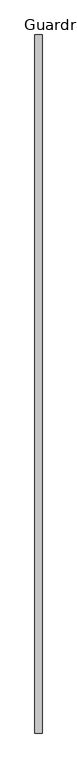
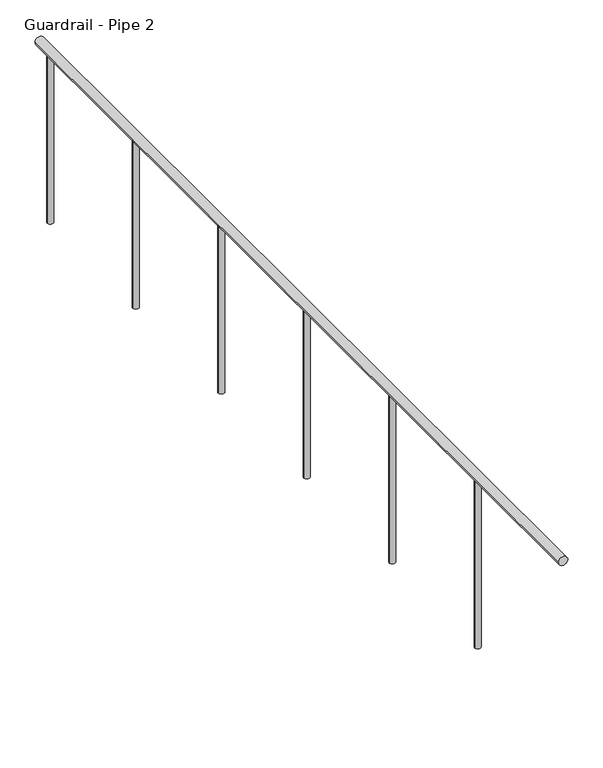
"""IFC4 building model written with IfcOpenShell, lengths in millimetres: railing geometry, Guardrail - Pipe 2."""

import ifcopenshell
import ifcopenshell.guid

model = None  # the IFC model being written
_history = None  # IfcOwnerHistory: only IFC2X3 demands one
_inside = {}  # id of a spatial element -> (the spatial element, [elements in it])
_under = {}  # id of a project, library or spatial element -> (it, [spatial elements below it])
_declared = {}  # id of a project -> (the project, [libraries it declares])
_typed = {}  # id of a type object -> (the type object, [elements of that type])
_made_of = {}  # id of a material, layer set ... -> (it, [elements and type objects made of it])


def new_model(schema):
    """Start an empty IFC model of exactly this schema.

    Asked for "IFC4X3", IfcOpenShell would pick the latest addendum, in which some entities
    have other attributes; the version numbers below select the first issue.
    IFC2X3 requires an IfcOwnerHistory on every rooted entity: one is made here for all.
    """
    global model, _history
    if schema == "IFC4X3":
        model = ifcopenshell.file(schema_version=(4, 3, 0, 0))
    else:
        model = ifcopenshell.file(schema=schema)
    _inside.clear()
    _under.clear()
    _declared.clear()
    _typed.clear()
    _made_of.clear()
    _history = None
    if model.schema == "IFC2X3":
        org = make("IfcOrganization", Name="unknown")
        user = make(
            "IfcPersonAndOrganization",
            ThePerson=make("IfcPerson", FamilyName="unknown"),
            TheOrganization=org,
        )
        app = make(
            "IfcApplication",
            ApplicationDeveloper=org,
            Version="unknown",
            ApplicationFullName="unknown",
            ApplicationIdentifier="unknown",
        )
        _history = make(
            "IfcOwnerHistory",
            OwningUser=user,
            OwningApplication=app,
            ChangeAction="ADDED",
            CreationDate=0,
        )
    return model


def make(cls, **values):
    """One entity of the class cls with the attributes given. An attribute that is None is left unset."""
    return model.create_entity(
        cls, **{name: value for name, value in values.items() if value is not None}
    )


def rooted(cls, **values):
    """An entity with a GlobalId (a new one), such as an element, a storey or a relation."""
    return make(cls, GlobalId=ifcopenshell.guid.new(), OwnerHistory=_history, **values)


def si_unit(unit_type, name, prefix=None):
    """IfcSIUnit, for example si_unit("LENGTHUNIT", "METRE", prefix="MILLI")."""
    return make("IfcSIUnit", UnitType=unit_type, Prefix=prefix, Name=name)


def assignment(units):
    """IfcUnitAssignment: the units of a project."""
    return None if units is None else make("IfcUnitAssignment", Units=units)


def point(xyz):
    """IfcCartesianPoint."""
    return None if xyz is None else make("IfcCartesianPoint", Coordinates=xyz)


def direction(xyz):
    """IfcDirection."""
    return None if xyz is None else make("IfcDirection", DirectionRatios=xyz)


def frame(location, z_axis=None, x_axis=None):
    """IfcAxis2Placement3D, a coordinate frame: its origin and axes. An axis left out is left unset."""
    return make(
        "IfcAxis2Placement3D",
        Location=point(location),
        Axis=direction(z_axis),
        RefDirection=direction(x_axis),
    )


def frame_2d(location, x_axis=None):
    """IfcAxis2Placement2D, a coordinate frame in the plane: its origin and x axis."""
    return make(
        "IfcAxis2Placement2D", Location=point(location), RefDirection=direction(x_axis)
    )


def origin():
    """The frame at (0, 0, 0) with its axes left unset."""
    return frame((0.0, 0.0, 0.0))


def place(relative_to, where):
    """IfcLocalPlacement: puts the frame where relative to a parent placement (None: the world)."""
    return make(
        "IfcLocalPlacement", PlacementRelTo=relative_to, RelativePlacement=where
    )


def context(
    kind, dimensions, precision=None, world=None, true_north=None, identifier=None
):
    """IfcGeometricRepresentationContext, for example the 3D "Model" context."""
    return make(
        "IfcGeometricRepresentationContext",
        ContextIdentifier=identifier,
        ContextType=kind,
        CoordinateSpaceDimension=dimensions,
        Precision=precision,
        WorldCoordinateSystem=world,
        TrueNorth=true_north,
    )


def project(units=None, contexts=None):
    """IfcProject with its units and contexts."""
    return rooted(
        "IfcProject",
        Name="project",
        RepresentationContexts=contexts,
        UnitsInContext=assignment(units),
    )


def spatial(cls, under=None, at=None, **own):
    """A site, building, storey or space (cls), placed at a placement, below another one or the project."""
    s = rooted(cls, ObjectPlacement=at, **own)
    if under is not None:
        _under.setdefault(under.id(), (under, []))[1].append(s)
    return s


def circle_curve(where, radius):
    """IfcCircle in the frame where."""
    return make("IfcCircle", Position=where, Radius=radius)


def trimmed(basis, trim1, trim2, sense, master):
    """IfcTrimmedCurve: the piece of a basis curve between two trims."""
    return make(
        "IfcTrimmedCurve",
        BasisCurve=basis,
        Trim1=trim1,
        Trim2=trim2,
        SenseAgreement=sense,
        MasterRepresentation=master,
    )


def segment(curve, same_sense, transition):
    """IfcCompositeCurveSegment."""
    return make(
        "IfcCompositeCurveSegment",
        Transition=transition,
        SameSense=same_sense,
        ParentCurve=curve,
    )


def composite_curve(segments, self_intersect=None):
    """IfcCompositeCurve: segments joined end to end."""
    return make("IfcCompositeCurve", Segments=segments, SelfIntersect=self_intersect)


def outline(outer, holes=None, kind="AREA"):
    """IfcArbitraryClosedProfileDef: a profile drawn as a closed curve; with holes, ...WithVoids."""
    if holes is None:
        return make("IfcArbitraryClosedProfileDef", ProfileType=kind, OuterCurve=outer)
    return make(
        "IfcArbitraryProfileDefWithVoids",
        ProfileType=kind,
        OuterCurve=outer,
        InnerCurves=holes,
    )


def extrude(swept, where, along, depth):
    """IfcExtrudedAreaSolid: the profile swept, set in the frame where, extruded along a direction by depth."""
    return make(
        "IfcExtrudedAreaSolid",
        SweptArea=swept,
        Position=where,
        ExtrudedDirection=direction(along),
        Depth=depth,
    )


def shape(context_of_items, identifier, shape_type, items):
    """IfcShapeRepresentation: the items that make up one representation, for example the "Body"."""
    return make(
        "IfcShapeRepresentation",
        ContextOfItems=context_of_items,
        RepresentationIdentifier=identifier,
        RepresentationType=shape_type,
        Items=items,
    )


def source(mapping_origin, context_of_items, identifier, shape_type, items):
    """IfcRepresentationMap: a shape defined once, which mapped items show again and again."""
    return make(
        "IfcRepresentationMap",
        MappingOrigin=mapping_origin,
        MappedRepresentation=shape(context_of_items, identifier, shape_type, items),
    )


def transform(
    local_origin,
    x_axis=None,
    y_axis=None,
    z_axis=None,
    scale=None,
    scale2=None,
    scale3=None,
    uniform=True,
):
    """IfcCartesianTransformationOperator3D, or its non-uniform kind. x_axis, y_axis, z_axis: its Axis1, 2, 3."""
    if uniform:
        return make(
            "IfcCartesianTransformationOperator3D",
            Axis1=direction(x_axis),
            Axis2=direction(y_axis),
            LocalOrigin=point(local_origin),
            Scale=scale,
            Axis3=direction(z_axis),
        )
    return make(
        "IfcCartesianTransformationOperator3DnonUniform",
        Axis1=direction(x_axis),
        Axis2=direction(y_axis),
        LocalOrigin=point(local_origin),
        Scale=scale,
        Axis3=direction(z_axis),
        Scale2=scale2,
        Scale3=scale3,
    )


def mapped(mapping_source, mapping_target):
    """IfcMappedItem: shows the shape of a source again, moved by a transform."""
    return make(
        "IfcMappedItem", MappingSource=mapping_source, MappingTarget=mapping_target
    )


def made_of(thing, what):
    """Note that an element or type object is made of a material, layer set ...; save() writes the relation."""
    if what is not None:
        _made_of.setdefault(what.id(), (what, []))[1].append(thing)
    return thing


def element(
    cls,
    number,
    at=None,
    inside=None,
    cuts=None,
    type_object=None,
    material=None,
    context=None,
    identifier="Body",
    shape_type=None,
    held_by="IfcProductDefinitionShape",
    body=None,
    shapes=None,
    **own,
):
    """One element of the class cls, such as IfcWall. Its Tag is "e" and its number.

    at: its placement. inside: the storey or other place that contains it. cuts: it is an
    opening in that element (IfcRelVoidsElement). A single representation is given by context,
    identifier, shape_type and body (its items); several are given by shapes. held_by: the class
    of the entity that holds the representations. save() writes the other relations.
    """
    e = rooted(cls, Tag="e%d" % number, ObjectPlacement=at, **own)
    if body is not None:
        shapes = [shape(context, identifier, shape_type, body)]
    if shapes is not None:
        e.Representation = make(held_by, Representations=shapes)
    if inside is not None:
        _inside.setdefault(inside.id(), (inside, []))[1].append(e)
    if cuts is not None:
        rooted(
            "IfcRelVoidsElement", RelatingBuildingElement=cuts, RelatedOpeningElement=e
        )
    if type_object is not None:
        _typed.setdefault(type_object.id(), (type_object, []))[1].append(e)
    return made_of(e, material)


def aggregate(whole, parts):
    """IfcRelAggregates: a whole, such as a stair, and the parts it consists of."""
    return rooted("IfcRelAggregates", RelatingObject=whole, RelatedObjects=parts)


def save(model, path):
    """Write the relations noted so far, then the file.

    IfcRelAggregates (storeys below a building ...), IfcRelContainedInSpatialStructure (elements
    in a storey), IfcRelDefinesByType, IfcRelAssociatesMaterial and IfcRelDeclares: one each for
    every whole, place, type object, material and project.
    """
    for whole, parts in _under.values():
        aggregate(whole, parts)
    for where, things in _inside.values():
        rooted(
            "IfcRelContainedInSpatialStructure",
            RelatedElements=things,
            RelatingStructure=where,
        )
    for kind, things in _typed.values():
        rooted("IfcRelDefinesByType", RelatedObjects=things, RelatingType=kind)
    for what, things in _made_of.values():
        rooted("IfcRelAssociatesMaterial", RelatedObjects=things, RelatingMaterial=what)
    for by, libraries in _declared.values():
        rooted("IfcRelDeclares", RelatingContext=by, RelatedDefinitions=libraries)
    model.write(path)


def guardrail_pipe_2_c341baba(model_context):
    return source(origin(), model_context, "Body", "SweptSolid", [
        extrude(outline(composite_curve([segment(trimmed(circle_curve(frame_2d((5518.15, 275949.0625586)), 19.05), [point((5518.15, 275930.0125586))], [point((5518.15, 275968.1125586))], False, "CARTESIAN"), True, "CONTINUOUS"), segment(trimmed(circle_curve(frame_2d((5518.15, 275949.0625586)), 19.05), [point((5518.15, 275968.1125586))], [point((5518.15, 275930.0125586))], False, "CARTESIAN"), True, "CONTINUOUS")], self_intersect=False)), frame((0.0, -391595.7830223, 0.0), z_axis=(0.0, 1.0, 0.0), x_axis=(0.0, 0.0, 1.0)), (0.0, 0.0, 1.0), 3733.8),
        extrude(outline(composite_curve([segment(trimmed(circle_curve(frame_2d((275949.0625586, -387938.1830223)), 12.7), [point((275936.3625586, -387938.1830223))], [point((275961.7625586, -387938.1830223))], False, "CARTESIAN"), True, "CONTINUOUS"), segment(trimmed(circle_curve(frame_2d((275949.0625586, -387938.1830223)), 12.7), [point((275961.7625586, -387938.1830223))], [point((275936.3625586, -387938.1830223))], False, "CARTESIAN"), True, "CONTINUOUS")], self_intersect=False)), frame((0.0, 0.0, 4775.2), z_axis=(0.0, 0.0, 1.0), x_axis=(1.0, 0.0, 0.0)), (0.0, 0.0, 1.0), 723.9),
        extrude(outline(composite_curve([segment(trimmed(circle_curve(frame_2d((275949.0625586, -388547.7830223)), 12.7), [point((275936.3625586, -388547.7830223))], [point((275961.7625586, -388547.7830223))], False, "CARTESIAN"), True, "CONTINUOUS"), segment(trimmed(circle_curve(frame_2d((275949.0625586, -388547.7830223)), 12.7), [point((275961.7625586, -388547.7830223))], [point((275936.3625586, -388547.7830223))], False, "CARTESIAN"), True, "CONTINUOUS")], self_intersect=False)), frame((0.0, 0.0, 4775.2), z_axis=(0.0, 0.0, 1.0), x_axis=(1.0, 0.0, 0.0)), (0.0, 0.0, 1.0), 723.9),
        extrude(outline(composite_curve([segment(trimmed(circle_curve(frame_2d((275949.0625586, -389157.3830223)), 12.7), [point((275936.3625586, -389157.3830223))], [point((275961.7625586, -389157.3830223))], False, "CARTESIAN"), True, "CONTINUOUS"), segment(trimmed(circle_curve(frame_2d((275949.0625586, -389157.3830223)), 12.7), [point((275961.7625586, -389157.3830223))], [point((275936.3625586, -389157.3830223))], False, "CARTESIAN"), True, "CONTINUOUS")], self_intersect=False)), frame((0.0, 0.0, 4775.2), z_axis=(0.0, 0.0, 1.0), x_axis=(1.0, 0.0, 0.0)), (0.0, 0.0, 1.0), 723.9),
        extrude(outline(composite_curve([segment(trimmed(circle_curve(frame_2d((275949.0625586, -389766.9830223)), 12.7), [point((275936.3625586, -389766.9830223))], [point((275961.7625586, -389766.9830223))], False, "CARTESIAN"), True, "CONTINUOUS"), segment(trimmed(circle_curve(frame_2d((275949.0625586, -389766.9830223)), 12.7), [point((275961.7625586, -389766.9830223))], [point((275936.3625586, -389766.9830223))], False, "CARTESIAN"), True, "CONTINUOUS")], self_intersect=False)), frame((0.0, 0.0, 4775.2), z_axis=(0.0, 0.0, 1.0), x_axis=(1.0, 0.0, 0.0)), (0.0, 0.0, 1.0), 723.9),
        extrude(outline(composite_curve([segment(trimmed(circle_curve(frame_2d((275949.0625586, -390376.5830223)), 12.7), [point((275936.3625586, -390376.5830223))], [point((275961.7625586, -390376.5830223))], False, "CARTESIAN"), True, "CONTINUOUS"), segment(trimmed(circle_curve(frame_2d((275949.0625586, -390376.5830223)), 12.7), [point((275961.7625586, -390376.5830223))], [point((275936.3625586, -390376.5830223))], False, "CARTESIAN"), True, "CONTINUOUS")], self_intersect=False)), frame((0.0, 0.0, 4775.2), z_axis=(0.0, 0.0, 1.0), x_axis=(1.0, 0.0, 0.0)), (0.0, 0.0, 1.0), 723.9),
        extrude(outline(composite_curve([segment(trimmed(circle_curve(frame_2d((275949.0625586, -390986.1830223)), 12.7), [point((275936.3625586, -390986.1830223))], [point((275961.7625586, -390986.1830223))], False, "CARTESIAN"), True, "CONTINUOUS"), segment(trimmed(circle_curve(frame_2d((275949.0625586, -390986.1830223)), 12.7), [point((275961.7625586, -390986.1830223))], [point((275936.3625586, -390986.1830223))], False, "CARTESIAN"), True, "CONTINUOUS")], self_intersect=False)), frame((0.0, 0.0, 4775.2), z_axis=(0.0, 0.0, 1.0), x_axis=(1.0, 0.0, 0.0)), (0.0, 0.0, 1.0), 723.9),
    ])


if __name__ == "__main__":
    model = new_model("IFC4")
    model_context = context("Model", 3, world=origin())
    ifc_project = project(units=[si_unit("LENGTHUNIT", "METRE", prefix="MILLI")], contexts=[model_context])
    site = spatial("IfcSite", under=ifc_project)
    building = spatial("IfcBuilding", under=site)
    placement = place(None, origin())
    guardrail_pipe_2_shape = guardrail_pipe_2_c341baba(model_context)
    element("IfcRailing", 1, ObjectType="Guardrail - Pipe 2", at=placement, inside=building, context=model_context, shape_type="MappedRepresentation", body=[
        mapped(guardrail_pipe_2_shape, transform((0.0, 0.0, 0.0), x_axis=(1.0, 0.0, 0.0), y_axis=(0.0, 1.0, 0.0), z_axis=(0.0, 0.0, 1.0))),
    ])
    save(model, "model.ifc")
